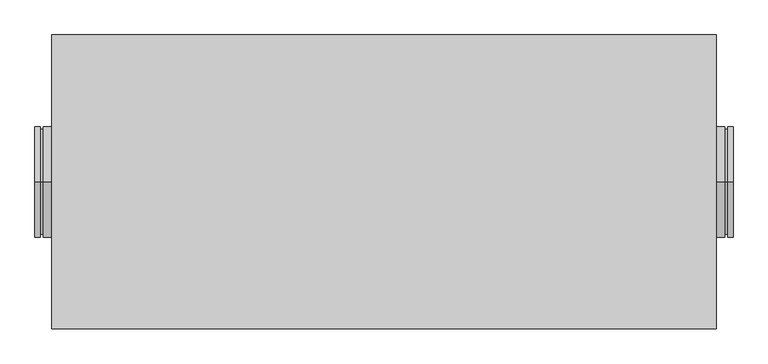
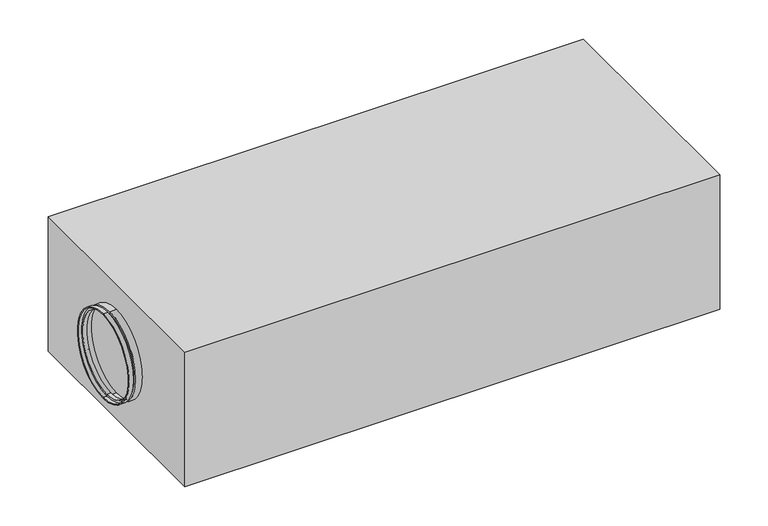
"""IFC4 building model written with IfcOpenShell, lengths in millimetres: proxy geometry."""

from ifc_helpers import new_model, si_unit, frame, origin, origin_with_axes, place, context, project, spatial, polyline, circle_curve, outline, extrude, source, transform, mapped, element, save
from ifc_brep_helpers import plane_surface, cylinder_surface, revolved_surface, advanced_brep


def mechanical_equipment_1a5f44a9(model_context):
    return source(origin(), model_context, "Body", "SolidModel", [
        advanced_brep(
        [(-630.0, 0.0, 61.5), (-630.0, 0.0, 257.5), (-630.0, 0.0, 259.5), (-630.0, 0.0, 59.5), (-600.0, 0.0, 59.5), (-600.0, 0.0, 259.5), (-600.0, 0.0, 257.5), (-600.0, 0.0, 61.5), (-615.0, 0.0, 59.5), (-615.0, 0.0, 259.5), (-615.0, 0.0, 64.5), (-615.0, 0.0, 254.5), (-620.0, 0.0, 64.5), (-620.0, 0.0, 254.5), (-620.0, 0.0, 59.5), (-620.0, 0.0, 259.5), (-622.0, 0.0, 61.5), (-622.0, 0.0, 257.5), (-622.0, 0.0, 66.5), (-622.0, 0.0, 252.5), (-613.0, 0.0, 66.5), (-613.0, 0.0, 252.5), (-613.0, 0.0, 61.5), (-613.0, 0.0, 257.5)],
        [
            (0, 1, circle_curve(frame((-630.0, 0.0, 159.5), z_axis=(1.0, 0.0, 0.0), x_axis=(0.0, 0.0, 1.0)), 98.0)),
            (1, 2),
            (2, 3, circle_curve(frame((-630.0, 0.0, 159.5), z_axis=(-1.0, 0.0, 0.0), x_axis=(0.0, 0.0, 1.0)), 100.0)),
            (3, 0),
            (1, 0, circle_curve(frame((-630.0, 0.0, 159.5), z_axis=(1.0, 0.0, 0.0), x_axis=(0.0, 0.0, 1.0)), 98.0)),
            (3, 2, circle_curve(frame((-630.0, 0.0, 159.5), z_axis=(-1.0, 0.0, 0.0), x_axis=(0.0, 0.0, 1.0)), 100.0)),
            (4, 5, circle_curve(frame((-600.0, 0.0, 159.5), z_axis=(1.0, 0.0, 0.0), x_axis=(0.0, 0.0, 1.0)), 100.0)),
            (5, 6),
            (6, 7, circle_curve(frame((-600.0, 0.0, 159.5), z_axis=(-1.0, 0.0, 0.0), x_axis=(0.0, 0.0, 1.0)), 98.0)),
            (7, 4),
            (5, 4, circle_curve(frame((-600.0, 0.0, 159.5), z_axis=(1.0, 0.0, 0.0), x_axis=(0.0, 0.0, 1.0)), 100.0)),
            (7, 6, circle_curve(frame((-600.0, 0.0, 159.5), z_axis=(-1.0, 0.0, 0.0), x_axis=(0.0, 0.0, 1.0)), 98.0)),
            (8, 9, circle_curve(frame((-615.0, 0.0, 159.5), z_axis=(1.0, 0.0, 0.0), x_axis=(0.0, 0.0, 1.0)), 100.0)),
            (9, 5),
            (4, 8),
            (9, 8, circle_curve(frame((-615.0, 0.0, 159.5), z_axis=(1.0, 0.0, 0.0), x_axis=(0.0, 0.0, 1.0)), 100.0)),
            (10, 11, circle_curve(frame((-615.0, 0.0, 159.5), z_axis=(1.0, 0.0, 0.0), x_axis=(0.0, 0.0, 1.0)), 95.0)),
            (11, 9),
            (8, 10),
            (11, 10, circle_curve(frame((-615.0, 0.0, 159.5), z_axis=(1.0, 0.0, 0.0), x_axis=(0.0, 0.0, 1.0)), 95.0)),
            (12, 13, circle_curve(frame((-620.0, 0.0, 159.5), z_axis=(1.0, 0.0, 0.0), x_axis=(0.0, 0.0, 1.0)), 95.0)),
            (13, 11),
            (10, 12),
            (13, 12, circle_curve(frame((-620.0, 0.0, 159.5), z_axis=(1.0, 0.0, 0.0), x_axis=(0.0, 0.0, 1.0)), 95.0)),
            (14, 15, circle_curve(frame((-620.0, 0.0, 159.5), z_axis=(1.0, 0.0, 0.0), x_axis=(0.0, 0.0, 1.0)), 100.0)),
            (15, 13),
            (12, 14),
            (15, 14, circle_curve(frame((-620.0, 0.0, 159.5), z_axis=(1.0, 0.0, 0.0), x_axis=(0.0, 0.0, 1.0)), 100.0)),
            (2, 15),
            (14, 3),
            (16, 17, circle_curve(frame((-622.0, 0.0, 159.5), z_axis=(1.0, 0.0, 0.0), x_axis=(0.0, 0.0, 1.0)), 98.0)),
            (17, 1),
            (0, 16),
            (17, 16, circle_curve(frame((-622.0, 0.0, 159.5), z_axis=(1.0, 0.0, 0.0), x_axis=(0.0, 0.0, 1.0)), 98.0)),
            (18, 19, circle_curve(frame((-622.0, 0.0, 159.5), z_axis=(1.0, 0.0, 0.0), x_axis=(0.0, 0.0, 1.0)), 93.0)),
            (19, 17),
            (16, 18),
            (19, 18, circle_curve(frame((-622.0, 0.0, 159.5), z_axis=(1.0, 0.0, 0.0), x_axis=(0.0, 0.0, 1.0)), 93.0)),
            (20, 21, circle_curve(frame((-613.0, 0.0, 159.5), z_axis=(1.0, 0.0, 0.0), x_axis=(0.0, 0.0, 1.0)), 93.0)),
            (21, 19),
            (18, 20),
            (21, 20, circle_curve(frame((-613.0, 0.0, 159.5), z_axis=(1.0, 0.0, 0.0), x_axis=(0.0, 0.0, 1.0)), 93.0)),
            (22, 23, circle_curve(frame((-613.0, 0.0, 159.5), z_axis=(1.0, 0.0, 0.0), x_axis=(0.0, 0.0, 1.0)), 98.0)),
            (23, 21),
            (20, 22),
            (23, 22, circle_curve(frame((-613.0, 0.0, 159.5), z_axis=(1.0, 0.0, 0.0), x_axis=(0.0, 0.0, 1.0)), 98.0)),
            (6, 23),
            (22, 7),
        ],
        [
            plane_surface(frame((-630.0, 0.0, 159.5), z_axis=(-1.0, 0.0, 0.0), x_axis=(0.0, 0.0, 1.0))),
            plane_surface(frame((-600.0, 0.0, 159.5), z_axis=(1.0, 0.0, 0.0), x_axis=(0.0, 0.0, 1.0))),
            cylinder_surface(frame((-1364.5786453, 0.0, 159.5), z_axis=(-1.0, 0.0, 0.0), x_axis=(0.0, 0.0, 1.0)), 100.0),
            plane_surface(frame((-615.0, 0.0, 159.5), z_axis=(-1.0, 0.0, 0.0), x_axis=(0.0, 0.0, 1.0))),
            cylinder_surface(frame((-1364.5786453, 0.0, 159.5), z_axis=(-1.0, 0.0, 0.0), x_axis=(0.0, 0.0, 1.0)), 95.0),
            plane_surface(frame((-620.0, 0.0, 159.5), z_axis=(1.0, 0.0, 0.0), x_axis=(0.0, 0.0, 1.0))),
            revolved_surface(polyline([(-630.0, 0.0, 257.5), (-622.0, 0.0, 257.5)]), (-1364.5786453, 0.0, 159.5), (-1.0, 0.0, 0.0)),
            plane_surface(frame((-622.0, 0.0, 159.5), z_axis=(-1.0, 0.0, 0.0), x_axis=(0.0, 0.0, 1.0))),
            revolved_surface(polyline([(-622.0, 0.0, 252.5), (-613.0, 0.0, 252.5)]), (-1364.5786453, 0.0, 159.5), (-1.0, 0.0, 0.0)),
            plane_surface(frame((-613.0, 0.0, 159.5), z_axis=(1.0, 0.0, 0.0), x_axis=(0.0, 0.0, 1.0))),
            revolved_surface(polyline([(-613.0, 0.0, 257.5), (-600.0, 0.0, 257.5)]), (-1364.5786453, 0.0, 159.5), (-1.0, 0.0, 0.0)),
        ],
        [
            (0, [[1, 2, 3, 4]]),
            (0, [[5, -4, 6, -2]]),
            (1, [[7, 8, 9, 10]]),
            (1, [[11, -10, 12, -8]]),
            (2, [[13, 14, -7, 15]]),
            (2, [[16, -15, -11, -14]]),
            (3, [[17, 18, -13, 19]]),
            (3, [[20, -19, -16, -18]]),
            (4, [[21, 22, -17, 23]]),
            (4, [[24, -23, -20, -22]]),
            (5, [[25, 26, -21, 27]]),
            (5, [[28, -27, -24, -26]]),
            (2, [[-3, 29, -25, 30]]),
            (2, [[-6, -30, -28, -29]]),
            (6, [[31, 32, -1, 33]]),
            (6, [[34, -33, -5, -32]]),
            (7, [[35, 36, -31, 37]]),
            (7, [[38, -37, -34, -36]]),
            (8, [[39, 40, -35, 41]]),
            (8, [[42, -41, -38, -40]]),
            (9, [[43, 44, -39, 45]]),
            (9, [[46, -45, -42, -44]]),
            (10, [[-9, 47, -43, 48]]),
            (10, [[-12, -48, -46, -47]]),
        ],
    ),
        advanced_brep(
        [(620.0, 0.0, 59.5), (620.0, 0.0, 259.5), (630.0, 0.0, 259.5), (630.0, 0.0, 59.5), (620.0, 0.0, 64.5), (620.0, 0.0, 254.5), (615.0, 0.0, 64.5), (615.0, 0.0, 254.5), (615.0, 0.0, 59.5), (615.0, 0.0, 259.5), (600.0, 0.0, 59.5), (600.0, 0.0, 259.5), (600.0, 0.0, 61.5), (600.0, 0.0, 257.5), (613.0, 0.0, 61.5), (613.0, 0.0, 257.5), (613.0, 0.0, 66.5), (613.0, 0.0, 252.5), (622.0, 0.0, 66.5), (622.0, 0.0, 252.5), (622.0, 0.0, 61.5), (622.0, 0.0, 257.5), (630.0, 0.0, 61.5), (630.0, 0.0, 257.5)],
        [
            (0, 1, circle_curve(frame((620.0, 0.0, 159.5), z_axis=(1.0, 0.0, 0.0), x_axis=(0.0, 0.0, 1.0)), 100.0)),
            (1, 2),
            (2, 3, circle_curve(frame((630.0, 0.0, 159.5), z_axis=(-1.0, 0.0, 0.0), x_axis=(0.0, 0.0, 1.0)), 100.0)),
            (3, 0),
            (1, 0, circle_curve(frame((620.0, 0.0, 159.5), z_axis=(1.0, 0.0, 0.0), x_axis=(0.0, 0.0, 1.0)), 100.0)),
            (3, 2, circle_curve(frame((630.0, 0.0, 159.5), z_axis=(-1.0, 0.0, 0.0), x_axis=(0.0, 0.0, 1.0)), 100.0)),
            (4, 5, circle_curve(frame((620.0, 0.0, 159.5), z_axis=(1.0, 0.0, 0.0), x_axis=(0.0, 0.0, 1.0)), 95.0)),
            (5, 1),
            (0, 4),
            (5, 4, circle_curve(frame((620.0, 0.0, 159.5), z_axis=(1.0, 0.0, 0.0), x_axis=(0.0, 0.0, 1.0)), 95.0)),
            (6, 7, circle_curve(frame((615.0, 0.0, 159.5), z_axis=(1.0, 0.0, 0.0), x_axis=(0.0, 0.0, 1.0)), 95.0)),
            (7, 5),
            (4, 6),
            (7, 6, circle_curve(frame((615.0, 0.0, 159.5), z_axis=(1.0, 0.0, 0.0), x_axis=(0.0, 0.0, 1.0)), 95.0)),
            (8, 9, circle_curve(frame((615.0, 0.0, 159.5), z_axis=(1.0, 0.0, 0.0), x_axis=(0.0, 0.0, 1.0)), 100.0)),
            (9, 7),
            (6, 8),
            (9, 8, circle_curve(frame((615.0, 0.0, 159.5), z_axis=(1.0, 0.0, 0.0), x_axis=(0.0, 0.0, 1.0)), 100.0)),
            (10, 11, circle_curve(frame((600.0, 0.0, 159.5), z_axis=(1.0, 0.0, 0.0), x_axis=(0.0, 0.0, 1.0)), 100.0)),
            (11, 9),
            (8, 10),
            (11, 10, circle_curve(frame((600.0, 0.0, 159.5), z_axis=(1.0, 0.0, 0.0), x_axis=(0.0, 0.0, 1.0)), 100.0)),
            (12, 13, circle_curve(frame((600.0, 0.0, 159.5), z_axis=(1.0, 0.0, 0.0), x_axis=(0.0, 0.0, 1.0)), 98.0)),
            (13, 11),
            (10, 12),
            (13, 12, circle_curve(frame((600.0, 0.0, 159.5), z_axis=(1.0, 0.0, 0.0), x_axis=(0.0, 0.0, 1.0)), 98.0)),
            (14, 15, circle_curve(frame((613.0, 0.0, 159.5), z_axis=(1.0, 0.0, 0.0), x_axis=(0.0, 0.0, 1.0)), 98.0)),
            (15, 13),
            (12, 14),
            (15, 14, circle_curve(frame((613.0, 0.0, 159.5), z_axis=(1.0, 0.0, 0.0), x_axis=(0.0, 0.0, 1.0)), 98.0)),
            (16, 17, circle_curve(frame((613.0, 0.0, 159.5), z_axis=(1.0, 0.0, 0.0), x_axis=(0.0, 0.0, 1.0)), 93.0)),
            (17, 15),
            (14, 16),
            (17, 16, circle_curve(frame((613.0, 0.0, 159.5), z_axis=(1.0, 0.0, 0.0), x_axis=(0.0, 0.0, 1.0)), 93.0)),
            (18, 19, circle_curve(frame((622.0, 0.0, 159.5), z_axis=(1.0, 0.0, 0.0), x_axis=(0.0, 0.0, 1.0)), 93.0)),
            (19, 17),
            (16, 18),
            (19, 18, circle_curve(frame((622.0, 0.0, 159.5), z_axis=(1.0, 0.0, 0.0), x_axis=(0.0, 0.0, 1.0)), 93.0)),
            (20, 21, circle_curve(frame((622.0, 0.0, 159.5), z_axis=(1.0, 0.0, 0.0), x_axis=(0.0, 0.0, 1.0)), 98.0)),
            (21, 19),
            (18, 20),
            (21, 20, circle_curve(frame((622.0, 0.0, 159.5), z_axis=(1.0, 0.0, 0.0), x_axis=(0.0, 0.0, 1.0)), 98.0)),
            (22, 23, circle_curve(frame((630.0, 0.0, 159.5), z_axis=(1.0, 0.0, 0.0), x_axis=(0.0, 0.0, 1.0)), 98.0)),
            (23, 21),
            (20, 22),
            (23, 22, circle_curve(frame((630.0, 0.0, 159.5), z_axis=(1.0, 0.0, 0.0), x_axis=(0.0, 0.0, 1.0)), 98.0)),
            (2, 23),
            (22, 3),
        ],
        [
            cylinder_surface(frame((-1364.5786453, 0.0, 159.5), z_axis=(-1.0, 0.0, 0.0), x_axis=(0.0, 0.0, 1.0)), 100.0),
            plane_surface(frame((620.0, 0.0, 159.5), z_axis=(-1.0, 0.0, 0.0), x_axis=(0.0, 0.0, 1.0))),
            cylinder_surface(frame((-1364.5786453, 0.0, 159.5), z_axis=(-1.0, 0.0, 0.0), x_axis=(0.0, 0.0, 1.0)), 95.0),
            plane_surface(frame((615.0, 0.0, 159.5), z_axis=(1.0, 0.0, 0.0), x_axis=(0.0, 0.0, 1.0))),
            plane_surface(frame((600.0, 0.0, 159.5), z_axis=(-1.0, 0.0, 0.0), x_axis=(0.0, 0.0, 1.0))),
            revolved_surface(polyline([(600.0, 0.0, 257.5), (613.0, 0.0, 257.5)]), (-1364.5786453, 0.0, 159.5), (-1.0, 0.0, 0.0)),
            plane_surface(frame((613.0, 0.0, 159.5), z_axis=(-1.0, 0.0, 0.0), x_axis=(0.0, 0.0, 1.0))),
            revolved_surface(polyline([(613.0, 0.0, 252.5), (622.0, 0.0, 252.5)]), (-1364.5786453, 0.0, 159.5), (-1.0, 0.0, 0.0)),
            plane_surface(frame((622.0, 0.0, 159.5), z_axis=(1.0, 0.0, 0.0), x_axis=(0.0, 0.0, 1.0))),
            revolved_surface(polyline([(622.0, 0.0, 257.5), (630.0, 0.0, 257.5)]), (-1364.5786453, 0.0, 159.5), (-1.0, 0.0, 0.0)),
            plane_surface(frame((630.0, 0.0, 159.5), z_axis=(1.0, 0.0, 0.0), x_axis=(0.0, 0.0, 1.0))),
        ],
        [
            (0, [[1, 2, 3, 4]]),
            (0, [[5, -4, 6, -2]]),
            (1, [[7, 8, -1, 9]]),
            (1, [[10, -9, -5, -8]]),
            (2, [[11, 12, -7, 13]]),
            (2, [[14, -13, -10, -12]]),
            (3, [[15, 16, -11, 17]]),
            (3, [[18, -17, -14, -16]]),
            (0, [[19, 20, -15, 21]]),
            (0, [[22, -21, -18, -20]]),
            (4, [[23, 24, -19, 25]]),
            (4, [[26, -25, -22, -24]]),
            (5, [[27, 28, -23, 29]]),
            (5, [[30, -29, -26, -28]]),
            (6, [[31, 32, -27, 33]]),
            (6, [[34, -33, -30, -32]]),
            (7, [[35, 36, -31, 37]]),
            (7, [[38, -37, -34, -36]]),
            (8, [[39, 40, -35, 41]]),
            (8, [[42, -41, -38, -40]]),
            (9, [[43, 44, -39, 45]]),
            (9, [[46, -45, -42, -44]]),
            (10, [[-3, 47, -43, 48]]),
            (10, [[-6, -48, -46, -47]]),
        ],
    ),
        extrude(outline(polyline([(-600.0, -265.0), (-600.0, 265.0), (600.0, 265.0), (600.0, -265.0), (-600.0, -265.0)])), origin_with_axes(), (0.0, 0.0, 1.0), 319.0),
    ])


if __name__ == "__main__":
    model = new_model("IFC4")
    model_context = context("Model", 3, world=origin())
    ifc_project = project(units=[si_unit("LENGTHUNIT", "METRE", prefix="MILLI")], contexts=[model_context])
    site = spatial("IfcSite", under=ifc_project)
    building = spatial("IfcBuilding", under=site)
    placement = place(None, origin())
    mechanical_equipment_shape = mechanical_equipment_1a5f44a9(model_context)
    element("IfcBuildingElementProxy", 1, Name="Mechanical Equipment", at=placement, inside=building, context=model_context, shape_type="MappedRepresentation", body=[
        mapped(mechanical_equipment_shape, transform((0.0, 0.0, 0.0), x_axis=(1.0, 0.0, 0.0), y_axis=(0.0, 1.0, 0.0), z_axis=(0.0, 0.0, 1.0))),
    ])
    save(model, "model.ifc")
